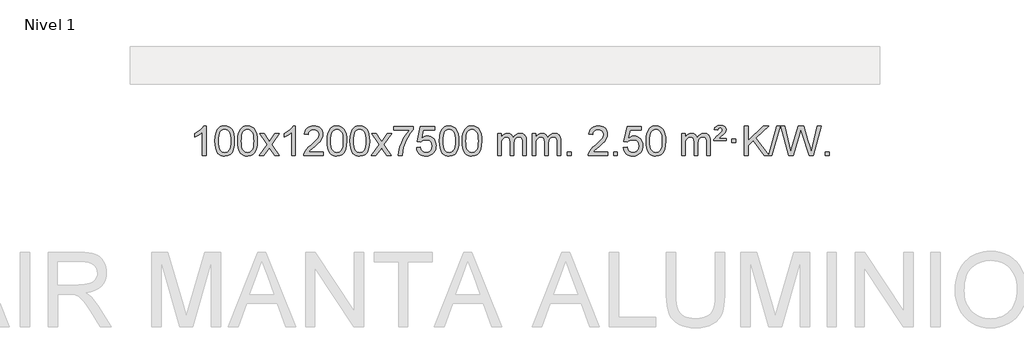
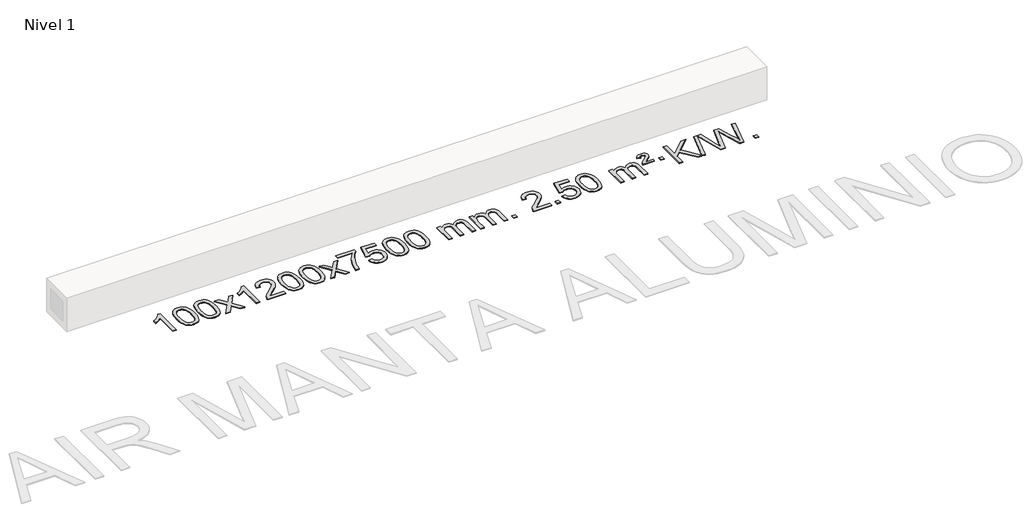
# One storey, part 2 of 3: 1 proxy.
"""IFC4 building model written with IfcOpenShell, lengths in millimetres."""

from ifc_helpers import new_model, si_unit, origin, origin_with_axes, place, context, project, spatial, polyline, outline, extrude, element, save

model = new_model("IFC4")

# Units and contexts
model_context = context("Model", 3, world=origin())
ifc_project = project(units=[si_unit("LENGTHUNIT", "METRE", prefix="MILLI")], contexts=[model_context])

# Site, building, storey
site = spatial("IfcSite", under=ifc_project)
building = spatial("IfcBuilding", under=site)
storey = spatial("IfcBuildingStorey", under=building, Name="Nivel 1", Elevation=0.0)

# Proxy
placement = place(None, origin())
element("IfcBuildingElementProxy", 1, Name="Texto de modelo 1", ObjectType="Texto de modelo 1", at=placement, inside=storey, context=model_context, shape_type="SweptSolid", body=[
    extrude(outline(polyline([(-18976.6113821, -1016.3248037), (-19026.8395372, -1016.3248037), (-19026.8395372, -703.1836494), (-19047.8088109, -720.1430094), (-19074.4189419, -737.0778439), (-19127.2958474, -762.4371761), (-19127.2958474, -714.9558732), (-19087.8466348, -693.4960902), (-19053.6703974, -667.9650797), (-19026.7291726, -640.8153885), (-19008.9849977, -614.4995631), (-18976.6113821, -614.4995631), (-18976.6113821, -1016.3248037)])), origin_with_axes(), (0.0, 0.0, 1.0), 10.0),
    extrude(outline(polyline([(-18857.3195138, -818.649545), (-18853.6284312, -754.3315095), (-18842.5551831, -703.0364966), (-18824.2101343, -663.9796914), (-18812.3520713, -648.7463112), (-18798.7036493, -636.3762791), (-18783.218883, -626.8052158), (-18765.8517871, -619.9687421), (-18725.4706068, -614.4995631), (-18694.5194682, -617.7369247), (-18666.8056913, -627.4490093), (-18643.6291256, -643.2556724), (-18626.2896209, -664.7767691), (-18613.1930218, -691.8283585), (-18602.7451732, -724.2264995), (-18595.9025681, -765.3679693), (-18593.6216997, -818.649545), (-18597.2759942, -882.5996984), (-18608.2388776, -933.772084), (-18626.4735619, -972.8656773), (-18638.3040337, -988.1450429), (-18651.9432587, -1000.5794543), (-18667.4464191, -1010.2148969), (-18684.8686972, -1017.0973559), (-18725.4706068, -1022.6033231), (-18753.1353328, -1020.2120901), (-18777.6607992, -1013.0383912), (-18799.0470058, -1001.0822264), (-18817.2939528, -984.3435956), (-18834.8051357, -954.0853015), (-18847.3131236, -916.3835283), (-18854.8179163, -871.2382762), (-18857.3195138, -818.649545)]), holes=[polyline([(-18807.0913588, -818.5514431), (-18805.6198308, -862.2159702), (-18801.2052468, -897.5602329), (-18793.8476069, -924.5842311), (-18783.5469111, -943.2879649), (-18771.0879742, -956.0136163), (-18757.2556112, -965.1033672), (-18742.049822, -970.5572178), (-18725.4706068, -972.375168), (-18708.8913915, -970.5510864), (-18693.6856024, -965.0788418), (-18679.8532394, -955.958434), (-18667.3943025, -943.1898631), (-18657.0936066, -924.4554724), (-18649.7359667, -897.4376056), (-18645.3213828, -862.1362625), (-18643.8498548, -818.5514431), (-18645.2723318, -776.0426785), (-18649.539763, -741.3207496), (-18656.6521482, -714.3856562), (-18666.6094875, -695.2373983), (-18678.859958, -681.8894132), (-18692.8517365, -672.3551382), (-18708.5848232, -666.6345732), (-18726.059218, -664.7277182), (-18742.5525941, -666.4077126), (-18757.5008658, -671.4476959), (-18770.9040332, -679.8476682), (-18782.7620962, -691.6076293), (-18793.4061486, -712.4542757), (-18801.0090431, -740.5604601), (-18805.5707799, -775.9261826), (-18807.0913588, -818.5514431)])]), origin_with_axes(), (0.0, 0.0, 1.0), 10.0),
    extrude(outline(polyline([(-18549.672064, -818.649545), (-18545.9809813, -754.3315095), (-18534.9077333, -703.0364966), (-18516.5626844, -663.9796914), (-18504.7046215, -648.7463112), (-18491.0561994, -636.3762791), (-18475.5714331, -626.8052158), (-18458.2043373, -619.9687421), (-18417.8231569, -614.4995631), (-18386.8720184, -617.7369247), (-18359.1582414, -627.4490093), (-18335.9816757, -643.2556724), (-18318.642171, -664.7767691), (-18305.545572, -691.8283585), (-18295.0977234, -724.2264995), (-18288.2551182, -765.3679693), (-18285.9742499, -818.649545), (-18289.6285444, -882.5996984), (-18300.5914278, -933.772084), (-18318.826112, -972.8656773), (-18330.6565839, -988.1450429), (-18344.2958088, -1000.5794543), (-18359.7989693, -1010.2148969), (-18377.2212474, -1017.0973559), (-18417.8231569, -1022.6033231), (-18445.487883, -1020.2120901), (-18470.0133493, -1013.0383912), (-18491.399556, -1001.0822264), (-18509.6465029, -984.3435956), (-18527.1576859, -954.0853015), (-18539.6656737, -916.3835283), (-18547.1704664, -871.2382762), (-18549.672064, -818.649545)]), holes=[polyline([(-18499.4439089, -818.5514431), (-18497.972381, -862.2159702), (-18493.557797, -897.5602329), (-18486.2001571, -924.5842311), (-18475.8994612, -943.2879649), (-18463.4405243, -956.0136163), (-18449.6081613, -965.1033672), (-18434.4023722, -970.5572178), (-18417.8231569, -972.375168), (-18401.2439417, -970.5510864), (-18386.0381526, -965.0788418), (-18372.2057895, -955.958434), (-18359.7468526, -943.1898631), (-18349.4461568, -924.4554724), (-18342.0885169, -897.4376056), (-18337.6739329, -862.1362625), (-18336.2024049, -818.5514431), (-18337.624882, -776.0426785), (-18341.8923131, -741.3207496), (-18349.0046984, -714.3856562), (-18358.9620377, -695.2373983), (-18371.2125082, -681.8894132), (-18385.2042867, -672.3551382), (-18400.9373734, -666.6345732), (-18418.4117681, -664.7277182), (-18434.9051443, -666.4077126), (-18449.853416, -671.4476959), (-18463.2565833, -679.8476682), (-18475.1146463, -691.6076293), (-18485.7586987, -712.4542757), (-18493.3615933, -740.5604601), (-18497.92333, -775.9261826), (-18499.4439089, -818.5514431)])]), origin_with_axes(), (0.0, 0.0, 1.0), 10.0),
    extrude(outline(polyline([(-18260.8601723, -1016.3248037), (-18153.5367316, -867.9947832), (-18254.5816529, -721.2343926), (-18194.1509039, -721.2343926), (-18145.3942768, -791.8677357), (-18122.634644, -825.2223699), (-18102.9161691, -797.9500514), (-18047.3905133, -721.2343926), (-17986.9597642, -721.2343926), (-18093.1059825, -867.9947832), (-17990.8838388, -1016.3248037), (-18051.3145879, -1016.3248037), (-18112.8244575, -927.1502081), (-18124.106172, -910.8652984), (-18200.4294233, -1016.3248037), (-18260.8601723, -1016.3248037)])), origin_with_axes(), (0.0, 0.0, 1.0), 10.0),
    extrude(outline(polyline([(-17771.1356604, -1016.3248037), (-17821.3638154, -1016.3248037), (-17821.3638154, -703.1836494), (-17842.3330892, -720.1430094), (-17868.9432201, -737.0778439), (-17921.8201256, -762.4371761), (-17921.8201256, -714.9558732), (-17882.370913, -693.4960902), (-17848.1946756, -667.9650797), (-17821.2534508, -640.8153885), (-17803.5092759, -614.4995631), (-17771.1356604, -614.4995631), (-17771.1356604, -1016.3248037)])), origin_with_axes(), (0.0, 0.0, 1.0), 10.0),
    extrude(outline(polyline([(-17394.4244973, -966.0966486), (-17394.4244973, -1016.3248037), (-17658.1223114, -1016.3248037), (-17657.0186654, -998.6419425), (-17652.7267088, -981.6948452), (-17640.3413483, -954.6309931), (-17622.2170287, -928.3764814), (-17595.9993052, -900.8956963), (-17559.333733, -870.1530243), (-17505.1324524, -822.0095338), (-17472.611684, -786.4721331), (-17456.3512998, -757.6301847), (-17450.9311718, -729.5730512), (-17456.0447315, -704.4221855), (-17471.3854107, -683.5142254), (-17494.9666466, -669.424345), (-17524.8018764, -664.7277182), (-17556.1331596, -669.3139804), (-17580.474685, -683.072767), (-17596.1832462, -704.9249575), (-17601.615637, -733.7914314), (-17651.8437921, -727.512912), (-17647.5242443, -701.5833627), (-17639.666898, -678.9279632), (-17628.2717532, -659.5467134), (-17613.3388099, -643.4396134), (-17595.2114246, -630.7783414), (-17574.2329538, -621.7345757), (-17550.4033976, -616.3083162), (-17523.7227559, -614.4995631), (-17496.8029909, -616.5106513), (-17472.8446759, -622.5439161), (-17451.8478111, -632.5993573), (-17433.8123962, -646.6769749), (-17419.3270427, -663.7344368), (-17408.9803616, -682.7294105), (-17402.7723529, -703.661896), (-17400.7030167, -726.5318934), (-17402.9348341, -750.5545876), (-17409.6302864, -774.160349), (-17421.5128749, -798.1707806), (-17439.3061007, -823.4074854), (-17467.6698025, -853.5370208), (-17511.263819, -892.225944), (-17569.0458177, -940.5411127), (-17591.7073486, -966.0966486), (-17394.4244973, -966.0966486)])), origin_with_axes(), (0.0, 0.0, 1.0), 10.0),
    extrude(outline(polyline([(-17344.1963422, -818.649545), (-17340.5052595, -754.3315095), (-17329.4320115, -703.0364966), (-17311.0869627, -663.9796914), (-17299.2288997, -648.7463112), (-17285.5804777, -636.3762791), (-17270.0957113, -626.8052158), (-17252.7286155, -619.9687421), (-17212.3474351, -614.4995631), (-17181.3962966, -617.7369247), (-17153.6825196, -627.4490093), (-17130.505954, -643.2556724), (-17113.1664492, -664.7767691), (-17100.0698502, -691.8283585), (-17089.6220016, -724.2264995), (-17082.7793964, -765.3679693), (-17080.4985281, -818.649545), (-17084.1528226, -882.5996984), (-17095.115706, -933.772084), (-17113.3503902, -972.8656773), (-17125.1808621, -988.1450429), (-17138.820087, -1000.5794543), (-17154.3232475, -1010.2148969), (-17171.7455256, -1017.0973559), (-17212.3474351, -1022.6033231), (-17240.0121612, -1020.2120901), (-17264.5376275, -1013.0383912), (-17285.9238342, -1001.0822264), (-17304.1707811, -984.3435956), (-17321.6819641, -954.0853015), (-17334.1899519, -916.3835283), (-17341.6947446, -871.2382762), (-17344.1963422, -818.649545)]), holes=[polyline([(-17293.9681871, -818.5514431), (-17292.4966592, -862.2159702), (-17288.0820752, -897.5602329), (-17280.7244353, -924.5842311), (-17270.4237395, -943.2879649), (-17257.9648025, -956.0136163), (-17244.1324395, -965.1033672), (-17228.9266504, -970.5572178), (-17212.3474351, -972.375168), (-17195.7682199, -970.5510864), (-17180.5624308, -965.0788418), (-17166.7300677, -955.958434), (-17154.2711308, -943.1898631), (-17143.970435, -924.4554724), (-17136.6127951, -897.4376056), (-17132.1982111, -862.1362625), (-17130.7266831, -818.5514431), (-17132.1491602, -776.0426785), (-17136.4165913, -741.3207496), (-17143.5289766, -714.3856562), (-17153.4863159, -695.2373983), (-17165.7367864, -681.8894132), (-17179.7285649, -672.3551382), (-17195.4616516, -666.6345732), (-17212.9360463, -664.7277182), (-17229.4294225, -666.4077126), (-17244.3776942, -671.4476959), (-17257.7808616, -679.8476682), (-17269.6389245, -691.6076293), (-17280.2829769, -712.4542757), (-17287.8858715, -740.5604601), (-17292.4476082, -775.9261826), (-17293.9681871, -818.5514431)])]), origin_with_axes(), (0.0, 0.0, 1.0), 10.0),
    extrude(outline(polyline([(-17036.5488924, -818.649545), (-17032.8578097, -754.3315095), (-17021.7845616, -703.0364966), (-17003.4395128, -663.9796914), (-16991.5814498, -648.7463112), (-16977.9330278, -636.3762791), (-16962.4482615, -626.8052158), (-16945.0811656, -619.9687421), (-16904.6999853, -614.4995631), (-16873.7488468, -617.7369247), (-16846.0350698, -627.4490093), (-16822.8585041, -643.2556724), (-16805.5189994, -664.7767691), (-16792.4224004, -691.8283585), (-16781.9745517, -724.2264995), (-16775.1319466, -765.3679693), (-16772.8510782, -818.649545), (-16776.5053727, -882.5996984), (-16787.4682562, -933.772084), (-16805.7029404, -972.8656773), (-16817.5334122, -988.1450429), (-16831.1726372, -1000.5794543), (-16846.6757976, -1010.2148969), (-16864.0980758, -1017.0973559), (-16904.6999853, -1022.6033231), (-16932.3647113, -1020.2120901), (-16956.8901777, -1013.0383912), (-16978.2763843, -1001.0822264), (-16996.5233313, -984.3435956), (-17014.0345143, -954.0853015), (-17026.5425021, -916.3835283), (-17034.0472948, -871.2382762), (-17036.5488924, -818.649545)]), holes=[polyline([(-16986.3207373, -818.5514431), (-16984.8492093, -862.2159702), (-16980.4346254, -897.5602329), (-16973.0769855, -924.5842311), (-16962.7762896, -943.2879649), (-16950.3173527, -956.0136163), (-16936.4849897, -965.1033672), (-16921.2792006, -970.5572178), (-16904.6999853, -972.375168), (-16888.1207701, -970.5510864), (-16872.9149809, -965.0788418), (-16859.0826179, -955.958434), (-16846.623681, -943.1898631), (-16836.3229851, -924.4554724), (-16828.9653452, -897.4376056), (-16824.5507613, -862.1362625), (-16823.0792333, -818.5514431), (-16824.5017104, -776.0426785), (-16828.7691415, -741.3207496), (-16835.8815267, -714.3856562), (-16845.8388661, -695.2373983), (-16858.0893365, -681.8894132), (-16872.0811151, -672.3551382), (-16887.8142017, -666.6345732), (-16905.2885965, -664.7277182), (-16921.7819726, -666.4077126), (-16936.7302444, -671.4476959), (-16950.1334117, -679.8476682), (-16961.9914747, -691.6076293), (-16972.6355271, -712.4542757), (-16980.2384217, -740.5604601), (-16984.8001584, -775.9261826), (-16986.3207373, -818.5514431)])]), origin_with_axes(), (0.0, 0.0, 1.0), 10.0),
    extrude(outline(polyline([(-16747.7370007, -1016.3248037), (-16640.41356, -867.9947832), (-16741.4584813, -721.2343926), (-16681.0277322, -721.2343926), (-16632.2711052, -791.8677357), (-16609.5114724, -825.2223699), (-16589.7929974, -797.9500514), (-16534.2673416, -721.2343926), (-16473.8365926, -721.2343926), (-16579.9828109, -867.9947832), (-16477.7606672, -1016.3248037), (-16538.1914163, -1016.3248037), (-16599.7012858, -927.1502081), (-16610.9830004, -910.8652984), (-16687.3062516, -1016.3248037), (-16747.7370007, -1016.3248037)])), origin_with_axes(), (0.0, 0.0, 1.0), 10.0),
    extrude(outline(polyline([(-16446.3680703, -671.0062376), (-16446.3680703, -620.7780825), (-16182.6702561, -620.7780825), (-16182.6702561, -661.3922547), (-16220.2555333, -708.9593967), (-16257.4729285, -769.4514595), (-16290.3002652, -837.350213), (-16314.7153669, -907.1374275), (-16326.6837945, -959.3521454), (-16333.3547213, -1016.3248037), (-16383.5828764, -1016.3248037), (-16378.1504856, -964.5515442), (-16363.6191468, -903.0171492), (-16340.3812674, -837.7916714), (-16308.829255, -774.9451639), (-16271.9920045, -718.1319211), (-16232.8984112, -671.0062376), (-16446.3680703, -671.0062376)])), origin_with_axes(), (0.0, 0.0, 1.0), 10.0),
    extrude(outline(polyline([(-16138.7206204, -909.5899742), (-16088.4924653, -903.3114548), (-16079.27089, -933.4655156), (-16063.1821841, -955.0601888), (-16040.299924, -968.0464232), (-16010.6976861, -972.375168), (-15991.5678224, -970.8699175), (-15974.6943015, -966.354166), (-15960.0771236, -958.8279135), (-15947.7162885, -948.2911601), (-15937.8877079, -935.2650717), (-15930.8672931, -920.2708148), (-15925.2509614, -884.3777948), (-15930.5116739, -850.5817021), (-15937.0875645, -836.6635), (-15946.2938115, -824.7318606), (-15958.1610715, -815.1607974), (-15972.7200015, -808.3243236), (-16009.9128712, -802.8551446), (-16034.278922, -805.0379111), (-16054.0096597, -811.5862106), (-16069.7672718, -821.6171264), (-16082.213946, -834.2477415), (-16132.442101, -827.9692222), (-16088.4924653, -620.7780825), (-15893.8583644, -620.7780825), (-15893.8583644, -671.0062376), (-16047.8782931, -671.0062376), (-16069.3626016, -781.6651417), (-16051.6368208, -768.9609501), (-16033.4818443, -759.8865276), (-16014.8976722, -754.4418741), (-15995.8843044, -752.6269896), (-15971.4232174, -754.8772011), (-15948.9548246, -761.6278357), (-15928.4791259, -772.8788934), (-15909.9961213, -788.6303741), (-15894.695296, -807.9196534), (-15883.766135, -829.7841067), (-15877.2086385, -854.2237339), (-15875.0228063, -881.2385351), (-15876.990975, -907.2600549), (-15882.895481, -931.4666901), (-15892.7363243, -953.8584409), (-15906.5135051, -974.4353072), (-15927.3846769, -995.5088141), (-15951.738465, -1010.5613191), (-15979.5748693, -1019.5928221), (-16010.8938898, -1022.6033231), (-16036.8142421, -1020.6688769), (-16060.2268654, -1014.8655384), (-16081.1317598, -1005.1933077), (-16099.5289252, -991.6521846), (-16114.8358819, -974.9166195), (-16126.47015, -955.6610627), (-16134.4317295, -933.8855143), (-16138.7206204, -909.5899742)])), origin_with_axes(), (0.0, 0.0, 1.0), 10.0),
    extrude(outline(polyline([(-15831.0731706, -818.649545), (-15827.3820879, -754.3315095), (-15816.3088398, -703.0364966), (-15797.963791, -663.9796914), (-15786.105728, -648.7463112), (-15772.457306, -636.3762791), (-15756.9725397, -626.8052158), (-15739.6054439, -619.9687421), (-15699.2242635, -614.4995631), (-15668.273125, -617.7369247), (-15640.559348, -627.4490093), (-15617.3827823, -643.2556724), (-15600.0432776, -664.7767691), (-15586.9466786, -691.8283585), (-15576.4988299, -724.2264995), (-15569.6562248, -765.3679693), (-15567.3753564, -818.649545), (-15571.0296509, -882.5996984), (-15581.9925344, -933.772084), (-15600.2272186, -972.8656773), (-15612.0576904, -988.1450429), (-15625.6969154, -1000.5794543), (-15641.2000758, -1010.2148969), (-15658.622354, -1017.0973559), (-15699.2242635, -1022.6033231), (-15726.8889896, -1020.2120901), (-15751.4144559, -1013.0383912), (-15772.8006626, -1001.0822264), (-15791.0476095, -984.3435956), (-15808.5587925, -954.0853015), (-15821.0667803, -916.3835283), (-15828.571573, -871.2382762), (-15831.0731706, -818.649545)]), holes=[polyline([(-15780.8450155, -818.5514431), (-15779.3734875, -862.2159702), (-15774.9589036, -897.5602329), (-15767.6012637, -924.5842311), (-15757.3005678, -943.2879649), (-15744.8416309, -956.0136163), (-15731.0092679, -965.1033672), (-15715.8034788, -970.5572178), (-15699.2242635, -972.375168), (-15682.6450483, -970.5510864), (-15667.4392591, -965.0788418), (-15653.6068961, -955.958434), (-15641.1479592, -943.1898631), (-15630.8472633, -924.4554724), (-15623.4896234, -897.4376056), (-15619.0750395, -862.1362625), (-15617.6035115, -818.5514431), (-15619.0259886, -776.0426785), (-15623.2934197, -741.3207496), (-15630.405805, -714.3856562), (-15640.3631443, -695.2373983), (-15652.6136147, -681.8894132), (-15666.6053933, -672.3551382), (-15682.3384799, -666.6345732), (-15699.8128747, -664.7277182), (-15716.3062508, -666.4077126), (-15731.2545226, -671.4476959), (-15744.6576899, -679.8476682), (-15756.5157529, -691.6076293), (-15767.1598053, -712.4542757), (-15774.7626999, -740.5604601), (-15779.3244366, -775.9261826), (-15780.8450155, -818.5514431)])]), origin_with_axes(), (0.0, 0.0, 1.0), 10.0),
    extrude(outline(polyline([(-15523.4257208, -818.649545), (-15519.7346381, -754.3315095), (-15508.66139, -703.0364966), (-15490.3163412, -663.9796914), (-15478.4582782, -648.7463112), (-15464.8098562, -636.3762791), (-15449.3250899, -626.8052158), (-15431.957994, -619.9687421), (-15391.5768137, -614.4995631), (-15360.6256752, -617.7369247), (-15332.9118982, -627.4490093), (-15309.7353325, -643.2556724), (-15292.3958278, -664.7767691), (-15279.2992288, -691.8283585), (-15268.8513801, -724.2264995), (-15262.008775, -765.3679693), (-15259.7279066, -818.649545), (-15263.3822011, -882.5996984), (-15274.3450846, -933.772084), (-15292.5797688, -972.8656773), (-15304.4102406, -988.1450429), (-15318.0494656, -1000.5794543), (-15333.552626, -1010.2148969), (-15350.9749041, -1017.0973559), (-15391.5768137, -1022.6033231), (-15419.2415397, -1020.2120901), (-15443.7670061, -1013.0383912), (-15465.1532127, -1001.0822264), (-15483.4001597, -984.3435956), (-15500.9113427, -954.0853015), (-15513.4193305, -916.3835283), (-15520.9241232, -871.2382762), (-15523.4257208, -818.649545)]), holes=[polyline([(-15473.1975657, -818.5514431), (-15471.7260377, -862.2159702), (-15467.3114538, -897.5602329), (-15459.9538139, -924.5842311), (-15449.653118, -943.2879649), (-15437.1941811, -956.0136163), (-15423.3618181, -965.1033672), (-15408.1560289, -970.5572178), (-15391.5768137, -972.375168), (-15374.9975984, -970.5510864), (-15359.7918093, -965.0788418), (-15345.9594463, -955.958434), (-15333.5005094, -943.1898631), (-15323.1998135, -924.4554724), (-15315.8421736, -897.4376056), (-15311.4275897, -862.1362625), (-15309.9560617, -818.5514431), (-15311.3785387, -776.0426785), (-15315.6459699, -741.3207496), (-15322.7583551, -714.3856562), (-15332.7156945, -695.2373983), (-15344.9661649, -681.8894132), (-15358.9579434, -672.3551382), (-15374.6910301, -666.6345732), (-15392.1654249, -664.7277182), (-15408.658801, -666.4077126), (-15423.6070727, -671.4476959), (-15437.0102401, -679.8476682), (-15448.8683031, -691.6076293), (-15459.5123555, -712.4542757), (-15467.11525, -740.5604601), (-15471.6769868, -775.9261826), (-15473.1975657, -818.5514431)])]), origin_with_axes(), (0.0, 0.0, 1.0), 10.0),
    extrude(outline(polyline([(-15046.2582475, -1016.3248037), (-15046.2582475, -721.2343926), (-14996.0300925, -721.2343926), (-14996.0300925, -769.794816), (-14980.9224052, -747.4889044), (-14961.4982359, -730.0145096), (-14938.419772, -718.7205323), (-14912.3492013, -714.9558732), (-14884.4146951, -718.7941087), (-14862.0229444, -730.3088152), (-14845.2965763, -748.7397031), (-14834.3582183, -773.3264831), (-14816.0499577, -747.7893413), (-14795.1665231, -729.5485257), (-14771.7079145, -718.6040364), (-14745.674132, -714.9558732), (-14725.5663153, -716.4733865), (-14707.9171766, -721.0259262), (-14692.7267159, -728.6134923), (-14679.9949331, -739.2360849), (-14669.9302949, -753.0163313), (-14662.7412676, -770.0768589), (-14658.4278512, -790.4176675), (-14656.9900457, -814.0387573), (-14656.9900457, -1016.3248037), (-14707.2182008, -1016.3248037), (-14707.2182008, -835.6211677), (-14708.3831604, -810.5684038), (-14711.8780394, -793.6826202), (-14718.4263389, -782.1188628), (-14728.7515602, -773.0321776), (-14742.0321003, -767.1460656), (-14757.4463559, -765.1840283), (-14784.6573608, -770.2117489), (-14806.8406451, -785.2949107), (-14815.4460181, -796.8647995), (-14821.5927131, -811.4635833), (-14826.5100691, -849.7478363), (-14826.5100691, -1016.3248037), (-14876.7382242, -1016.3248037), (-14876.7382242, -830.0293613), (-14879.6444919, -801.6288713), (-14888.3632952, -781.3708361), (-14903.7039744, -769.2307303), (-14926.4758699, -765.1840283), (-14945.8264629, -767.8818296), (-14963.6564769, -775.9752335), (-14978.3717567, -789.2680363), (-14988.378147, -807.5640342), (-14994.1171061, -832.9478918), (-14996.0300925, -867.5042739), (-14996.0300925, -1016.3248037), (-15046.2582475, -1016.3248037)])), origin_with_axes(), (0.0, 0.0, 1.0), 10.0),
    extrude(outline(polyline([(-14581.6478131, -1016.3248037), (-14581.6478131, -721.2343926), (-14531.419658, -721.2343926), (-14531.419658, -769.794816), (-14516.3119708, -747.4889044), (-14496.8878014, -730.0145096), (-14473.8093376, -718.7205323), (-14447.7387669, -714.9558732), (-14419.8042607, -718.7941087), (-14397.4125099, -730.3088152), (-14380.6861419, -748.7397031), (-14369.7477839, -773.3264831), (-14351.4395233, -747.7893413), (-14330.5560887, -729.5485257), (-14307.0974801, -718.6040364), (-14281.0636976, -714.9558732), (-14260.9558809, -716.4733865), (-14243.3067421, -721.0259262), (-14228.1162814, -728.6134923), (-14215.3844987, -739.2360849), (-14205.3198605, -753.0163313), (-14198.1308331, -770.0768589), (-14193.8174167, -790.4176675), (-14192.3796113, -814.0387573), (-14192.3796113, -1016.3248037), (-14242.6077663, -1016.3248037), (-14242.6077663, -835.6211677), (-14243.772726, -810.5684038), (-14247.267605, -793.6826202), (-14253.8159045, -782.1188628), (-14264.1411258, -773.0321776), (-14277.4216658, -767.1460656), (-14292.8359214, -765.1840283), (-14320.0469263, -770.2117489), (-14342.2302106, -785.2949107), (-14350.8355836, -796.8647995), (-14356.9822786, -811.4635833), (-14361.8996347, -849.7478363), (-14361.8996347, -1016.3248037), (-14412.1277897, -1016.3248037), (-14412.1277897, -830.0293613), (-14415.0340575, -801.6288713), (-14423.7528608, -781.3708361), (-14439.09354, -769.2307303), (-14461.8654355, -765.1840283), (-14481.2160284, -767.8818296), (-14499.0460425, -775.9752335), (-14513.7613223, -789.2680363), (-14523.7677125, -807.5640342), (-14529.5066717, -832.9478918), (-14531.419658, -867.5042739), (-14531.419658, -1016.3248037), (-14581.6478131, -1016.3248037)])), origin_with_axes(), (0.0, 0.0, 1.0), 10.0),
    extrude(outline(polyline([(-14104.4803399, -1016.3248037), (-14104.4803399, -966.0966486), (-14054.2521848, -966.0966486), (-14054.2521848, -1016.3248037), (-14104.4803399, -1016.3248037)])), origin_with_axes(), (0.0, 0.0, 1.0), 10.0),
    extrude(outline(polyline([(-13558.2491535, -966.0966486), (-13558.2491535, -1016.3248037), (-13821.9469676, -1016.3248037), (-13820.8433216, -998.6419425), (-13816.551365, -981.6948452), (-13804.1660045, -954.6309931), (-13786.0416849, -928.3764814), (-13759.8239613, -900.8956963), (-13723.1583892, -870.1530243), (-13668.9571085, -822.0095338), (-13636.4363402, -786.4721331), (-13620.175956, -757.6301847), (-13614.7558279, -729.5730512), (-13619.8693876, -704.4221855), (-13635.2100668, -683.5142254), (-13658.7913027, -669.424345), (-13688.6265325, -664.7277182), (-13719.9578158, -669.3139804), (-13744.2993411, -683.072767), (-13760.0079023, -704.9249575), (-13765.4402931, -733.7914314), (-13815.6684482, -727.512912), (-13811.3489005, -701.5833627), (-13803.4915542, -678.9279632), (-13792.0964094, -659.5467134), (-13777.1634661, -643.4396134), (-13759.0360807, -630.7783414), (-13738.05761, -621.7345757), (-13714.2280537, -616.3083162), (-13687.547412, -614.4995631), (-13660.627647, -616.5106513), (-13636.6693321, -622.5439161), (-13615.6724672, -632.5993573), (-13597.6370524, -646.6769749), (-13583.1516988, -663.7344368), (-13572.8050177, -682.7294105), (-13566.5970091, -703.661896), (-13564.5276728, -726.5318934), (-13566.7594903, -750.5545876), (-13573.4549426, -774.160349), (-13585.337531, -798.1707806), (-13603.1307569, -823.4074854), (-13631.4944587, -853.5370208), (-13675.0884751, -892.225944), (-13732.8704738, -940.5411127), (-13755.5320047, -966.0966486), (-13558.2491535, -966.0966486)])), origin_with_axes(), (0.0, 0.0, 1.0), 10.0),
    extrude(outline(polyline([(-13482.9069208, -1016.3248037), (-13482.9069208, -966.0966486), (-13432.6787658, -966.0966486), (-13432.6787658, -1016.3248037), (-13482.9069208, -1016.3248037)])), origin_with_axes(), (0.0, 0.0, 1.0), 10.0),
    extrude(outline(polyline([(-13351.0580138, -909.5899742), (-13300.8298587, -903.3114548), (-13291.6082833, -933.4655156), (-13275.5195774, -955.0601888), (-13252.6373173, -968.0464232), (-13223.0350794, -972.375168), (-13203.9052157, -970.8699175), (-13187.0316949, -966.354166), (-13172.4145169, -958.8279135), (-13160.0536819, -948.2911601), (-13150.2251012, -935.2650717), (-13143.2046865, -920.2708148), (-13137.5883547, -884.3777948), (-13142.8490672, -850.5817021), (-13149.4249579, -836.6635), (-13158.6312048, -824.7318606), (-13170.4984649, -815.1607974), (-13185.0573948, -808.3243236), (-13222.2502645, -802.8551446), (-13246.6163153, -805.0379111), (-13266.347053, -811.5862106), (-13282.1046651, -821.6171264), (-13294.5513393, -834.2477415), (-13344.7794944, -827.9692222), (-13300.8298587, -620.7780825), (-13106.1957578, -620.7780825), (-13106.1957578, -671.0062376), (-13260.2156864, -671.0062376), (-13281.6999949, -781.6651417), (-13263.9742141, -768.9609501), (-13245.8192377, -759.8865276), (-13227.2350656, -754.4418741), (-13208.2216978, -752.6269896), (-13183.7606108, -754.8772011), (-13161.2922179, -761.6278357), (-13140.8165192, -772.8788934), (-13122.3335146, -788.6303741), (-13107.0326893, -807.9196534), (-13096.1035284, -829.7841067), (-13089.5460318, -854.2237339), (-13087.3601996, -881.2385351), (-13089.3283683, -907.2600549), (-13095.2328743, -931.4666901), (-13105.0737177, -953.8584409), (-13118.8508984, -974.4353072), (-13139.7220703, -995.5088141), (-13164.0758584, -1010.5613191), (-13191.9122627, -1019.5928221), (-13223.2312832, -1022.6033231), (-13249.1516354, -1020.6688769), (-13272.5642587, -1014.8655384), (-13293.4691531, -1005.1933077), (-13311.8663186, -991.6521846), (-13327.1732752, -974.9166195), (-13338.8075433, -955.6610627), (-13346.7691228, -933.8855143), (-13351.0580138, -909.5899742)])), origin_with_axes(), (0.0, 0.0, 1.0), 10.0),
    extrude(outline(polyline([(-13043.4105639, -818.649545), (-13039.7194813, -754.3315095), (-13028.6462332, -703.0364966), (-13010.3011844, -663.9796914), (-12998.4431214, -648.7463112), (-12984.7946994, -636.3762791), (-12969.3099331, -626.8052158), (-12951.9428372, -619.9687421), (-12911.5616569, -614.4995631), (-12880.6105183, -617.7369247), (-12852.8967414, -627.4490093), (-12829.7201757, -643.2556724), (-12812.380671, -664.7767691), (-12799.2840719, -691.8283585), (-12788.8362233, -724.2264995), (-12781.9936182, -765.3679693), (-12779.7127498, -818.649545), (-12783.3670443, -882.5996984), (-12794.3299277, -933.772084), (-12812.564612, -972.8656773), (-12824.3950838, -988.1450429), (-12838.0343088, -1000.5794543), (-12853.5374692, -1010.2148969), (-12870.9597473, -1017.0973559), (-12911.5616569, -1022.6033231), (-12939.2263829, -1020.2120901), (-12963.7518492, -1013.0383912), (-12985.1380559, -1001.0822264), (-13003.3850029, -984.3435956), (-13020.8961858, -954.0853015), (-13033.4041737, -916.3835283), (-13040.9089664, -871.2382762), (-13043.4105639, -818.649545)]), holes=[polyline([(-12993.1824089, -818.5514431), (-12991.7108809, -862.2159702), (-12987.2962969, -897.5602329), (-12979.938657, -924.5842311), (-12969.6379612, -943.2879649), (-12957.1790243, -956.0136163), (-12943.3466612, -965.1033672), (-12928.1408721, -970.5572178), (-12911.5616569, -972.375168), (-12894.9824416, -970.5510864), (-12879.7766525, -965.0788418), (-12865.9442895, -955.958434), (-12853.4853526, -943.1898631), (-12843.1846567, -924.4554724), (-12835.8270168, -897.4376056), (-12831.4124328, -862.1362625), (-12829.9409049, -818.5514431), (-12831.3633819, -776.0426785), (-12835.6308131, -741.3207496), (-12842.7431983, -714.3856562), (-12852.7005376, -695.2373983), (-12864.9510081, -681.8894132), (-12878.9427866, -672.3551382), (-12894.6758733, -666.6345732), (-12912.1502681, -664.7277182), (-12928.6436442, -666.4077126), (-12943.5919159, -671.4476959), (-12956.9950833, -679.8476682), (-12968.8531462, -691.6076293), (-12979.4971986, -712.4542757), (-12987.1000932, -740.5604601), (-12991.6618299, -775.9261826), (-12993.1824089, -818.5514431)])]), origin_with_axes(), (0.0, 0.0, 1.0), 10.0),
    extrude(outline(polyline([(-12566.2430907, -1016.3248037), (-12566.2430907, -721.2343926), (-12516.0149357, -721.2343926), (-12516.0149357, -769.794816), (-12500.9072484, -747.4889044), (-12481.483079, -730.0145096), (-12458.4046152, -718.7205323), (-12432.3340445, -714.9558732), (-12404.3995383, -718.7941087), (-12382.0077875, -730.3088152), (-12365.2814195, -748.7397031), (-12354.3430615, -773.3264831), (-12336.0348009, -747.7893413), (-12315.1513663, -729.5485257), (-12291.6927577, -718.6040364), (-12265.6589752, -714.9558732), (-12245.5511585, -716.4733865), (-12227.9020198, -721.0259262), (-12212.711559, -728.6134923), (-12199.9797763, -739.2360849), (-12189.9151381, -753.0163313), (-12182.7261108, -770.0768589), (-12178.4126944, -790.4176675), (-12176.9748889, -814.0387573), (-12176.9748889, -1016.3248037), (-12227.203044, -1016.3248037), (-12227.203044, -835.6211677), (-12228.3680036, -810.5684038), (-12231.8628826, -793.6826202), (-12238.4111821, -782.1188628), (-12248.7364034, -773.0321776), (-12262.0169434, -767.1460656), (-12277.431199, -765.1840283), (-12304.642204, -770.2117489), (-12326.8254883, -785.2949107), (-12335.4308613, -796.8647995), (-12341.5775563, -811.4635833), (-12346.4949123, -849.7478363), (-12346.4949123, -1016.3248037), (-12396.7230673, -1016.3248037), (-12396.7230673, -830.0293613), (-12399.6293351, -801.6288713), (-12408.3481384, -781.3708361), (-12423.6888176, -769.2307303), (-12446.4607131, -765.1840283), (-12465.811306, -767.8818296), (-12483.6413201, -775.9752335), (-12498.3565999, -789.2680363), (-12508.3629902, -807.5640342), (-12514.1019493, -832.9478918), (-12516.0149357, -867.5042739), (-12516.0149357, -1016.3248037), (-12566.2430907, -1016.3248037)])), origin_with_axes(), (0.0, 0.0, 1.0), 10.0),
    extrude(outline(polyline([(-12133.0252532, -815.4121834), (-12129.1992805, -799.5932576), (-12120.8606219, -783.7252809), (-12099.3517879, -758.5866779), (-12067.3951053, -730.8483754), (-12023.2492658, -693.4715647), (-12016.1123551, -681.9445955), (-12013.7333849, -670.1233208), (-12015.6218458, -658.0322659), (-12021.2872285, -648.2466048), (-12030.6559567, -641.7718817), (-12043.6544538, -639.6136406), (-12056.0888653, -641.2323214), (-12064.9425586, -646.0883637), (-12071.3682308, -655.5551938), (-12076.5185787, -671.0062376), (-12126.7467338, -664.7277182), (-12115.9064777, -639.5155388), (-12099.2782115, -621.9553049), (-12075.5130346, -611.654609), (-12043.2620464, -608.2210437), (-12007.479391, -612.3535848), (-11982.7331954, -624.751208), (-11968.3122212, -643.0839941), (-11963.5052298, -665.0220238), (-11967.6009827, -687.9288093), (-11979.8882413, -709.5602706), (-12000.4160567, -729.3768475), (-12036.8854251, -757.433981), (-12062.490012, -784.0195865), (-11963.5052298, -784.0195865), (-11963.5052298, -815.4121834), (-12133.0252532, -815.4121834)])), origin_with_axes(), (0.0, 0.0, 1.0), 10.0),
    extrude(outline(polyline([(-11888.1629972, -840.5262609), (-11888.1629972, -790.2981059), (-11837.9348421, -790.2981059), (-11837.9348421, -840.5262609), (-11888.1629972, -840.5262609)])), origin_with_axes(), (0.0, 0.0, 1.0), 10.0),
    extrude(outline(polyline([(-11447.2932142, -1016.3248037), (-11600.7245317, -813.6463498), (-11668.4148188, -878.1973772), (-11668.4148188, -1016.3248037), (-11718.6429738, -1016.3248037), (-11718.6429738, -614.4995631), (-11668.4148188, -614.4995631), (-11668.4148188, -811.1938032), (-11462.4009015, -614.4995631), (-11392.1599659, -614.4995631), (-11565.1135545, -779.7031044), (-11390.4599447, -1010.2802839), (-11279.1466169, -614.4995631), (-11233.8235551, -614.4995631), (-11346.836904, -1016.3248037), (-11385.8814465, -1016.3248037), (-11392.1599659, -1016.3248037), (-11447.2932142, -1016.3248037)])), origin_with_axes(), (0.0, 0.0, 1.0), 10.0),
    extrude(outline(polyline([(-11119.3386782, -1016.3248037), (-11228.9184619, -614.4995631), (-11177.1206769, -614.4995631), (-11113.5506682, -878.5897847), (-11093.9302951, -960.1124348), (-11072.9364959, -888.0075638), (-10993.2777812, -614.4995631), (-10918.6222617, -614.4995631), (-10860.7421611, -812.763433), (-10835.9469146, -886.3398321), (-10817.6754422, -960.1124348), (-10798.6436803, -880.9442295), (-10734.4850603, -614.4995631), (-10682.6872754, -614.4995631), (-10792.3651609, -1016.3248037), (-10846.0268813, -1016.3248037), (-10942.3629131, -706.3229091), (-10955.8028686, -663.0599865), (-10970.9105559, -715.152077), (-11058.7117254, -1016.3248037), (-11119.3386782, -1016.3248037)])), origin_with_axes(), (0.0, 0.0, 1.0), 10.0),
    extrude(outline(polyline([(-10626.180601, -1016.3248037), (-10626.180601, -966.0966486), (-10575.9524459, -966.0966486), (-10575.9524459, -1016.3248037), (-10626.180601, -1016.3248037)])), origin_with_axes(), (0.0, 0.0, 1.0), 10.0),
])

save(model, "model.ifc")
